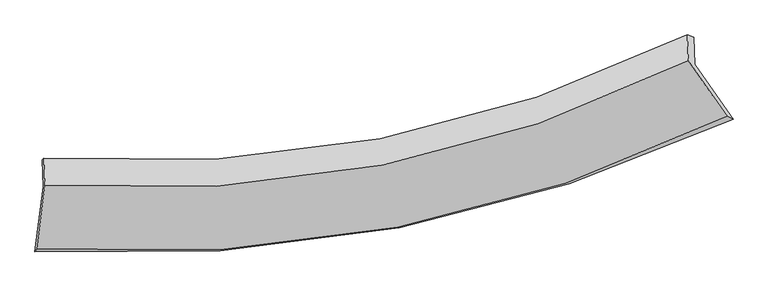
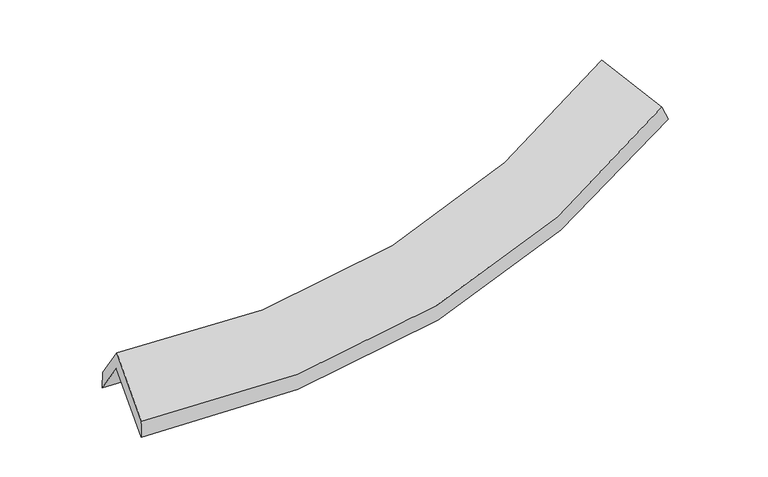
"""IFC4 building model written with IfcOpenShell, lengths in millimetres: proxy geometry."""

from ifc_helpers import new_model, si_unit, frame, origin, place, context, project, spatial, source, transform, mapped, element, save
from ifc_brep_helpers import plane_surface, spline_curve, spline_surface, advanced_brep


def generic_models_40d57afa(model_context):
    return source(origin(), model_context, "Body", "AdvancedBrep", [
        advanced_brep(
        [(-2918.6419629, -2520.6803795, 1550.6760694), (-2846.8678249, -1969.2455438, 1921.6424951), (2690.2384776, -930.0472406, 2487.1338803), (3013.9716757, -1394.6678449, 2163.7474448), (-2856.4419085, -1739.3467292, 1581.7544764), (2680.5401041, -697.1638995, 2142.8334647), (-2843.390205, -1726.6804622, 1733.0533891), (2624.6334212, -679.1588011, 2299.2874936), (-2833.8293103, -1956.2625794, 2072.4731947), (2633.8213539, -899.7851242, 2625.4668347), (-2904.7229109, -2500.9323187, 1706.0578483), (2962.9863172, -1372.2013762, 2296.6544523)],
        [
            (0, 1),
            (1, 2, spline_curve(3, [(-2846.8678249, -1969.2455438, 1921.6424951), (-1852.312758602, -2027.878186334, 1843.653719677), (-888.798251312, -1968.321635749, 1853.277885974), (955.547368923, -1616.757302115, 2045.603723395), (1837.734962425, -1329.914417876, 2224.476685799), (2690.2384776, -930.0472406, 2487.1338803)], [4, 2, 4], [0.0, 9.843580341575036, 19.469674535564504])),
            (2, 3),
            (3, 0, spline_curve(3, [(3013.9716757, -1394.6678449, 2163.7474448), (2101.038068346, -1821.313131657, 1884.679866208), (1156.071190495, -2128.76842863, 1693.63314386), (-820.002856679, -2509.552595403, 1485.253707662), (-1852.573858317, -2577.434809812, 1471.943304691), (-2918.6419629, -2520.6803795, 1550.6760694)], [4, 2, 4], [0.0, 9.626094193989468, 19.469674535564504])),
            (1, 4),
            (4, 5, spline_curve(3, [(-2856.4419085, -1739.3467292, 1581.7544764), (-1861.708577609, -1802.25997219, 1510.094245562), (-898.116523596, -1744.565515886, 1522.471376703), (946.18326497, -1391.900650675, 1713.170161668), (1828.251882053, -1102.200830068, 1887.819359739), (2680.5401041, -697.1638995, 2142.8334647)], [4, 2, 4], [0.0, 9.533333414330803, 18.856035342354275])),
            (5, 2),
            (4, 6),
            (6, 7, spline_curve(3, [(-2843.390205, -1726.6804622, 1733.0533891), (-1856.67209455, -1794.948356906, 1662.058447543), (-902.918516306, -1739.446421741, 1675.203751728), (918.315466638, -1384.863759783, 1867.625404733), (1787.236430826, -1091.191808058, 2043.224801906), (2624.6334212, -679.1588011, 2299.2874936)], [4, 2, 4], [0.0, 9.45160442930576, 18.69438310979831])),
            (7, 5),
            (6, 8),
            (8, 9, spline_curve(3, [(-2833.8293103, -1956.2625794, 2072.4731947), (-1847.121645643, -2024.27963807, 2001.107410698), (-893.405010682, -1967.890603122, 2012.941205033), (927.703493872, -1610.29487152, 2200.908262521), (1796.537080317, -1314.524754661, 2373.405681553), (2633.8213539, -899.7851242, 2625.4668347)], [4, 2, 4], [0.0, 9.399894695545413, 18.59210612808034])),
            (9, 7),
            (8, 10),
            (10, 11, spline_curve(3, [(-2904.7229109, -2500.9323187, 1706.0578483), (-1847.554193429, -2570.390468531, 1631.732545167), (-824.913391783, -2508.557536883, 1645.30708811), (1129.480805131, -2126.576433539, 1846.013869857), (2062.743079273, -1812.165717942, 2029.304861321), (2962.9863172, -1372.2013762, 2296.6544523)], [4, 2, 4], [0.0, 9.740706248611348, 19.266199271621677])),
            (11, 9),
            (10, 0),
            (3, 11),
        ],
        [
            spline_surface(3, 3, [[(-2918.6419629, -2520.6803795, 1550.6760694), (-1852.573858321, -2577.434809793, 1471.943304796), (-820.002856656, -2509.552595252, 1485.253707593), (1156.071190473, -2128.768428777, 1693.633143927), (2101.038068321, -1821.313131817, 1884.679866237), (3013.9716757, -1394.6678449, 2163.7474448)], [(-2894.717250249, -2336.868767573, 1674.331544655), (-1852.486825081, -2394.249268583, 1595.84677649), (-842.934654828, -2329.142275479, 1607.9284337), (1089.22991661, -1958.098053192, 1810.956670421), (2013.270366301, -1657.51356052, 1997.94547273), (2906.060609645, -1239.794310143, 2271.542923289)], [(-2870.792537551, -2153.057155727, 1797.987019845), (-1852.399791795, -2211.063727456, 1719.750248119), (-865.86645305, -2148.731955662, 1730.60315983), (1022.388642697, -1787.427677564, 1928.280196938), (1925.502664347, -1493.713989193, 2111.211079256), (2798.149543655, -1084.920775357, 2379.338401811)], [(-2846.8678249, -1969.2455438, 1921.6424951), (-1852.312758555, -2027.878186246, 1843.653719813), (-888.798251221, -1968.321635889, 1853.277885936), (955.547368835, -1616.757301979, 2045.603723432), (1837.734962328, -1329.914417895, 2224.476685749), (2690.2384776, -930.0472406, 2487.1338803)]], [4, 4], [4, 2, 4], [0.0, 2.139188249726534], [0.0, 9.843580341575036, 19.469674535564504]),
            spline_surface(3, 3, [[(-2846.8678249, -1969.2455438, 1921.6424951), (-1852.312758555, -2027.878186246, 1843.653719813), (-888.798251221, -1968.321635889, 1853.277885936), (955.547368835, -1616.757301979, 2045.603723432), (1837.734962328, -1329.914417895, 2224.476685749), (2690.2384776, -930.0472406, 2487.1338803)], [(-2850.059186081, -1892.612605612, 1808.346488863), (-1855.444698192, -1952.672114922, 1732.467228373), (-891.904342032, -1893.736262575, 1743.009049584), (952.426000896, -1541.80508481, 1934.792536171), (1834.57393557, -1254.009888657, 2112.257577082), (2687.005686444, -852.419460236, 2372.367075108)], [(-2853.250547319, -1815.979667388, 1695.050482637), (-1858.576637885, -1877.466043561, 1621.280736945), (-895.010432838, -1819.150889333, 1632.740213154), (949.304632961, -1466.852867714, 1823.981348833), (1831.412908782, -1178.105359411, 2000.038468391), (2683.772895256, -774.791679864, 2257.600269892)], [(-2856.4419085, -1739.3467292, 1581.7544764), (-1861.708577522, -1802.259972236, 1510.094245504), (-898.116523649, -1744.565516019, 1522.471376801), (946.183265022, -1391.900650545, 1713.170161572), (1828.251882025, -1102.200830173, 1887.819359724), (2680.5401041, -697.1638995, 2142.8334647)]], [4, 4], [4, 2, 4], [0.0, 1.313795726623322], [0.0, 9.533333414330803, 18.856035342354275]),
            spline_surface(3, 3, [[(-2856.4419085, -1739.3467292, 1581.7544764), (-1861.708577522, -1802.259972236, 1510.094245504), (-898.116523649, -1744.565516019, 1522.471376801), (946.183265022, -1391.900650545, 1713.170161572), (1828.251882025, -1102.200830173, 1887.819359724), (2680.5401041, -697.1638995, 2142.8334647)], [(-2852.091340688, -1735.124640199, 1632.187447287), (-1860.029749839, -1799.82276714, 1560.748979476), (-899.717187888, -1742.859151273, 1573.382168434), (936.893998937, -1389.555020317, 1764.655242579), (1814.580064932, -1098.531156098, 1939.621173761), (2661.904543124, -691.162200012, 2194.984807661)], [(-2847.740772812, -1730.902551201, 1682.620418213), (-1858.350922093, -1797.385562045, 1611.403713488), (-901.317852162, -1741.152786468, 1624.292960152), (927.604732817, -1387.209390029, 1816.14032367), (1800.908247867, -1094.861482086, 1991.422987815), (2643.268982176, -685.160500588, 2247.136150639)], [(-2843.390205, -1726.6804622, 1733.0533891), (-1856.67209441, -1794.948356948, 1662.058447459), (-902.918516401, -1739.446421723, 1675.203751785), (918.315466731, -1384.863759801, 1867.625404677), (1787.236430774, -1091.191808011, 2043.224801852), (2624.6334212, -679.1588011, 2299.2874936)]], [4, 4], [4, 2, 4], [0.0, 0.5069970252814604], [0.0, 9.45160442930576, 18.69438310979831]),
            spline_surface(3, 3, [[(-2843.390205, -1726.6804622, 1733.0533891), (-1856.67209441, -1794.948356948, 1662.058447459), (-902.918516401, -1739.446421723, 1675.203751785), (918.315466731, -1384.863759801, 1867.625404677), (1787.236430774, -1091.191808011, 2043.224801852), (2624.6334212, -679.1588011, 2299.2874936)], [(-2840.203240081, -1803.207834606, 1846.193324308), (-1853.488611495, -1871.392117319, 1775.074768596), (-899.747347843, -1815.594482152, 1787.782902909), (921.444809091, -1460.007463701, 1978.719690594), (1790.336647269, -1165.636123622, 2153.285095053), (2627.696065453, -752.700908813, 2408.013940624)], [(-2837.016275219, -1879.735206994, 1959.333259492), (-1850.305128636, -1947.835877674, 1888.091089707), (-896.576179232, -1891.742542646, 1900.362054019), (924.574151504, -1535.151167666, 2089.813976496), (1793.436863704, -1240.080439194, 2263.345388283), (2630.758709647, -826.243016487, 2516.740387676)], [(-2833.8293103, -1956.2625794, 2072.4731947), (-1847.121645722, -2024.279638045, 2001.107410843), (-893.405010674, -1967.890603075, 2012.941205143), (927.703493864, -1610.294871565, 2200.908262413), (1796.537080199, -1314.524754805, 2373.405681483), (2633.8213539, -899.7851242, 2625.4668347)]], [4, 4], [4, 2, 4], [0.0, 1.3294707991779058], [0.0, 9.399894695545413, 18.59210612808034]),
            spline_surface(3, 3, [[(-2833.8293103, -1956.2625794, 2072.4731947), (-1847.121645722, -2024.279638045, 2001.107410843), (-893.405010674, -1967.890603075, 2012.941205143), (927.703493864, -1610.294871565, 2200.908262413), (1796.537080199, -1314.524754805, 2373.405681483), (2633.8213539, -899.7851242, 2625.4668347)], [(-2857.460510499, -2137.819159146, 1950.334745889), (-1847.265828296, -2206.316581481, 1877.982455614), (-870.574471009, -2148.112914312, 1890.396499498), (994.96259762, -1782.388725614, 2082.610131545), (1885.272413253, -1480.405075805, 2258.70540815), (2743.543008312, -1057.257208198, 2515.862707243)], [(-2881.091710701, -2319.375738954, 1828.196297111), (-1847.410010872, -2388.35352498, 1754.857500417), (-847.743931396, -2328.33522551, 1767.851793828), (1062.221701324, -1954.482579624, 1964.312000652), (1974.007746371, -1646.285396811, 2144.005134786), (2853.264662788, -1214.729292202, 2406.258579757)], [(-2904.7229109, -2500.9323187, 1706.0578483), (-1847.554193445, -2570.390468416, 1631.732545188), (-824.913391731, -2508.557536746, 1645.307088184), (1129.48080508, -2126.576433673, 1846.013869785), (2062.743079426, -1812.16571781, 2029.304861452), (2962.9863172, -1372.2013762, 2296.6544523)]], [4, 4], [4, 2, 4], [0.0, 2.146493869118208], [0.0, 9.740706248611348, 19.266199271621677]),
            spline_surface(3, 3, [[(-2904.7229109, -2500.9323187, 1706.0578483), (-1847.554193445, -2570.390468416, 1631.732545188), (-824.913391731, -2508.557536746, 1645.307088184), (1129.48080508, -2126.576433673, 1846.013869785), (2062.743079426, -1812.16571781, 2029.304861452), (2962.9863172, -1372.2013762, 2296.6544523)], [(-2909.362594902, -2507.515005664, 1654.263921998), (-1849.227415072, -2572.738582239, 1578.469465055), (-823.276546733, -2508.889222914, 1591.955961317), (1138.344266851, -2127.307098707, 1795.220294495), (2075.508075746, -1815.21485581, 1981.096529722), (2979.981436722, -1379.690199098, 2252.352116475)], [(-2914.002278898, -2514.097692536, 1602.469995702), (-1850.900636694, -2575.08669597, 1525.206384929), (-821.639701654, -2509.220909084, 1538.60483446), (1147.207728702, -2128.037763744, 1744.426719216), (2088.273072, -1818.263993817, 1932.888197967), (2996.976556178, -1387.179022002, 2208.049780625)], [(-2918.6419629, -2520.6803795, 1550.6760694), (-1852.573858321, -2577.434809793, 1471.943304796), (-820.002856656, -2509.552595252, 1485.253707593), (1156.071190473, -2128.768428777, 1693.633143927), (2101.038068321, -1821.313131817, 1884.679866237), (3013.9716757, -1394.6678449, 2163.7474448)]], [4, 4], [4, 2, 4], [0.0, 0.515343632704827], [0.0, 10.132468448315914, 20.04106799406909]),
            plane_surface(frame((2767.6985583, -995.5040478, 2335.8539284), z_axis=(0.8677601215079873, 0.4226591186042519, 0.2614414676005324), x_axis=(0.4964355717347733, -0.712482367046476, -0.49590382108249526))),
            plane_surface(frame((-2867.3156871, -2068.8580021, 1760.9429122), z_axis=(-0.9939453286474316, 0.07596803181507153, 0.07938225117804076), x_axis=(0.0885160414638095, 0.12558471483064382, 0.9881262013551119))),
        ],
        [
            (0, [[1, 2, 3, 4]]),
            (1, [[5, 6, 7, -2]]),
            (2, [[8, 9, 10, -6]]),
            (3, [[11, 12, 13, -9]]),
            (4, [[14, 15, 16, -12]]),
            (5, [[17, -4, 18, -15]]),
            (6, [[-16, -18, -3, -7, -10, -13]]),
            (7, [[-17, -14, -11, -8, -5, -1]]),
        ],
    ),
    ])


if __name__ == "__main__":
    model = new_model("IFC4")
    model_context = context("Model", 3, world=origin())
    ifc_project = project(units=[si_unit("LENGTHUNIT", "METRE", prefix="MILLI")], contexts=[model_context])
    site = spatial("IfcSite", under=ifc_project)
    building = spatial("IfcBuilding", under=site)
    placement = place(None, origin())
    generic_models_shape = generic_models_40d57afa(model_context)
    element("IfcBuildingElementProxy", 1, Name="Generic Models", at=placement, inside=building, context=model_context, shape_type="MappedRepresentation", body=[
        mapped(generic_models_shape, transform((0.0, 0.0, 0.0), x_axis=(1.0, 0.0, 0.0), y_axis=(0.0, 1.0, 0.0), z_axis=(0.0, 0.0, 1.0))),
    ])
    save(model, "model.ifc")
